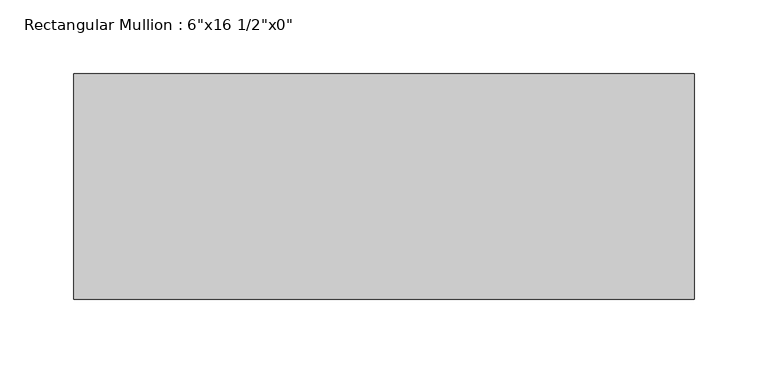
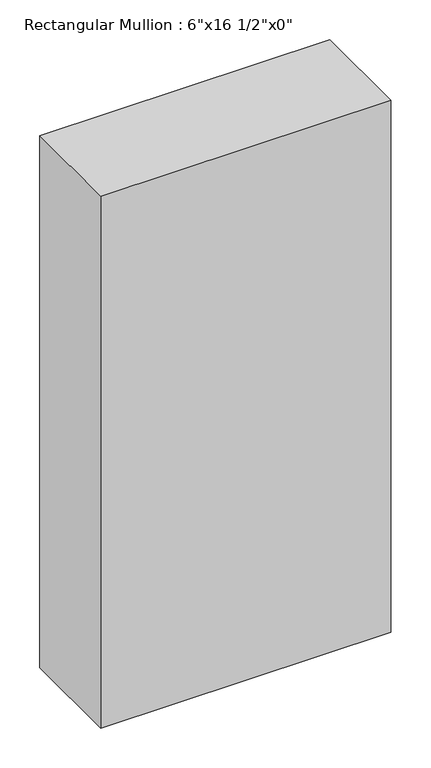
"""IFC4 building model written with IfcOpenShell, lengths in millimetres: member geometry."""

from ifc_helpers import new_model, si_unit, frame, origin, place, context, project, spatial, polyline, outline, extrude, source, transform, mapped, element, save


def member_cec89e80(model_context):
    return source(origin(), model_context, "Body", "SweptSolid", [
        extrude(outline(polyline([(0.0, 76.2), (0.0, -76.2), (-419.1, -76.2), (-419.1, 76.2), (0.0, 76.2)])), frame((0.0, 0.0, -812.8), z_axis=(0.0, 0.0, 1.0), x_axis=(1.0, 0.0, 0.0)), (0.0, 0.0, 1.0), 812.8),
    ])


if __name__ == "__main__":
    model = new_model("IFC4")
    model_context = context("Model", 3, world=origin())
    ifc_project = project(units=[si_unit("LENGTHUNIT", "METRE", prefix="MILLI")], contexts=[model_context])
    site = spatial("IfcSite", under=ifc_project)
    building = spatial("IfcBuilding", under=site)
    placement = place(None, origin())
    member_shape = member_cec89e80(model_context)
    element("IfcMember", 1, ObjectType="Rectangular Mullion : 6\"x16 1/2\"x0\"", at=placement, inside=building, context=model_context, shape_type="MappedRepresentation", body=[
        mapped(member_shape, transform((0.0, 0.0, 0.0), x_axis=(1.0, 0.0, 0.0), y_axis=(0.0, 1.0, 0.0), z_axis=(0.0, 0.0, 1.0))),
    ])
    save(model, "model.ifc")
